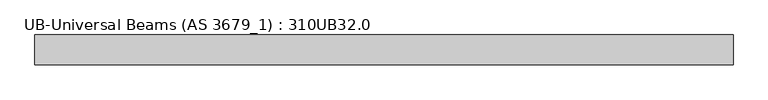
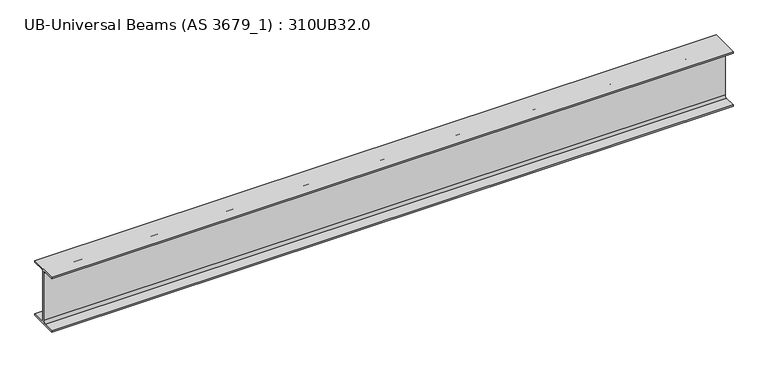
"""IFC4 building model written with IfcOpenShell, lengths in millimetres: beam geometry, UB-Universal Beams (AS 3679_1) : 310UB32.0."""

from ifc_helpers import new_model, si_unit, point, frame, frame_2d, origin, place, context, project, spatial, polyline, circle_curve, trimmed, segment, composite_curve, outline, extrude, source, transform, mapped, element, save


def ub_universal_beams_as_3679_1_310ub32_0_91f12004(model_context):
    return source(origin(), model_context, "Body", "SweptSolid", [
        extrude(outline(composite_curve([segment(polyline([(74.5, -141.0), (74.5, -149.0), (-74.5, -149.0), (-74.5, -141.0), (-15.75, -141.0)]), True, "CONTINUOUS"), segment(trimmed(circle_curve(frame_2d((-15.75, -128.0)), 13.0), [point((-15.75, -141.0))], [point((-2.75, -128.0))], True, "CARTESIAN"), True, "CONTINUOUS"), segment(polyline([(-2.75, -128.0), (-2.75, 128.0)]), True, "CONTINUOUS"), segment(trimmed(circle_curve(frame_2d((-15.75, 128.0)), 13.0), [point((-2.75, 128.0))], [point((-15.75, 141.0))], True, "CARTESIAN"), True, "CONTINUOUS"), segment(polyline([(-15.75, 141.0), (-74.5, 141.0), (-74.5, 149.0), (74.5, 149.0), (74.5, 141.0), (15.75, 141.0)]), True, "CONTINUOUS"), segment(trimmed(circle_curve(frame_2d((15.75, 128.0)), 13.0), [point((15.75, 141.0))], [point((2.75, 128.0))], True, "CARTESIAN"), True, "CONTINUOUS"), segment(polyline([(2.75, 128.0), (2.75, -128.0)]), True, "CONTINUOUS"), segment(trimmed(circle_curve(frame_2d((15.75, -128.0)), 13.0), [point((2.75, -128.0))], [point((15.75, -141.0))], True, "CARTESIAN"), True, "CONTINUOUS"), segment(polyline([(15.75, -141.0), (74.5, -141.0)]), True, "CONTINUOUS")], self_intersect=False)), frame((-1750.0, 0.0, 0.0), z_axis=(1.0, 0.0, 0.0), x_axis=(0.0, 1.0, 0.0)), (0.0, 0.0, 1.0), 3500.0),
    ])


if __name__ == "__main__":
    model = new_model("IFC4")
    model_context = context("Model", 3, world=origin())
    ifc_project = project(units=[si_unit("LENGTHUNIT", "METRE", prefix="MILLI")], contexts=[model_context])
    site = spatial("IfcSite", under=ifc_project)
    building = spatial("IfcBuilding", under=site)
    placement = place(None, origin())
    ub_universal_beams_as_3679_1_310ub32_0_shape = ub_universal_beams_as_3679_1_310ub32_0_91f12004(model_context)
    element("IfcBeam", 1, ObjectType="UB-Universal Beams (AS 3679_1) : 310UB32.0", at=placement, inside=building, context=model_context, shape_type="MappedRepresentation", body=[
        mapped(ub_universal_beams_as_3679_1_310ub32_0_shape, transform((0.0, 0.0, 0.0), x_axis=(1.0, 0.0, 0.0), y_axis=(0.0, 1.0, 0.0), z_axis=(0.0, 0.0, 1.0))),
    ])
    save(model, "model.ifc")
